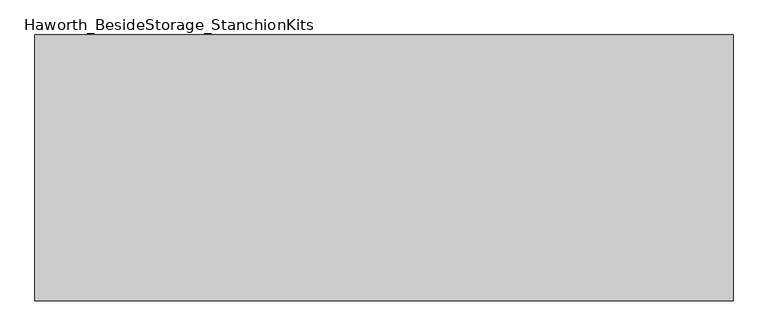
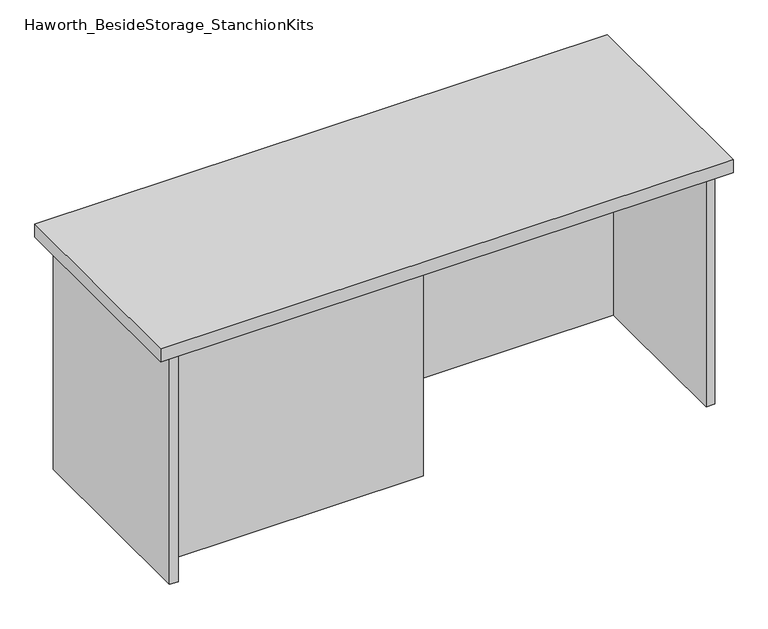
"""IFC4 building model written with IfcOpenShell, lengths in millimetres: furniture geometry, Haworth_BesideStorage_StanchionKits."""

import ifcopenshell
import ifcopenshell.guid

model = None  # the IFC model being written
_history = None  # IfcOwnerHistory: only IFC2X3 demands one
_inside = {}  # id of a spatial element -> (the spatial element, [elements in it])
_under = {}  # id of a project, library or spatial element -> (it, [spatial elements below it])
_declared = {}  # id of a project -> (the project, [libraries it declares])
_typed = {}  # id of a type object -> (the type object, [elements of that type])
_made_of = {}  # id of a material, layer set ... -> (it, [elements and type objects made of it])


def new_model(schema):
    """Start an empty IFC model of exactly this schema.

    Asked for "IFC4X3", IfcOpenShell would pick the latest addendum, in which some entities
    have other attributes; the version numbers below select the first issue.
    IFC2X3 requires an IfcOwnerHistory on every rooted entity: one is made here for all.
    """
    global model, _history
    if schema == "IFC4X3":
        model = ifcopenshell.file(schema_version=(4, 3, 0, 0))
    else:
        model = ifcopenshell.file(schema=schema)
    _inside.clear()
    _under.clear()
    _declared.clear()
    _typed.clear()
    _made_of.clear()
    _history = None
    if model.schema == "IFC2X3":
        org = make("IfcOrganization", Name="unknown")
        user = make(
            "IfcPersonAndOrganization",
            ThePerson=make("IfcPerson", FamilyName="unknown"),
            TheOrganization=org,
        )
        app = make(
            "IfcApplication",
            ApplicationDeveloper=org,
            Version="unknown",
            ApplicationFullName="unknown",
            ApplicationIdentifier="unknown",
        )
        _history = make(
            "IfcOwnerHistory",
            OwningUser=user,
            OwningApplication=app,
            ChangeAction="ADDED",
            CreationDate=0,
        )
    return model


def make(cls, **values):
    """One entity of the class cls with the attributes given. An attribute that is None is left unset."""
    return model.create_entity(
        cls, **{name: value for name, value in values.items() if value is not None}
    )


def rooted(cls, **values):
    """An entity with a GlobalId (a new one), such as an element, a storey or a relation."""
    return make(cls, GlobalId=ifcopenshell.guid.new(), OwnerHistory=_history, **values)


def si_unit(unit_type, name, prefix=None):
    """IfcSIUnit, for example si_unit("LENGTHUNIT", "METRE", prefix="MILLI")."""
    return make("IfcSIUnit", UnitType=unit_type, Prefix=prefix, Name=name)


def assignment(units):
    """IfcUnitAssignment: the units of a project."""
    return None if units is None else make("IfcUnitAssignment", Units=units)


def point(xyz):
    """IfcCartesianPoint."""
    return None if xyz is None else make("IfcCartesianPoint", Coordinates=xyz)


def direction(xyz):
    """IfcDirection."""
    return None if xyz is None else make("IfcDirection", DirectionRatios=xyz)


def frame(location, z_axis=None, x_axis=None):
    """IfcAxis2Placement3D, a coordinate frame: its origin and axes. An axis left out is left unset."""
    return make(
        "IfcAxis2Placement3D",
        Location=point(location),
        Axis=direction(z_axis),
        RefDirection=direction(x_axis),
    )


def origin():
    """The frame at (0, 0, 0) with its axes left unset."""
    return frame((0.0, 0.0, 0.0))


def place(relative_to, where):
    """IfcLocalPlacement: puts the frame where relative to a parent placement (None: the world)."""
    return make(
        "IfcLocalPlacement", PlacementRelTo=relative_to, RelativePlacement=where
    )


def context(
    kind, dimensions, precision=None, world=None, true_north=None, identifier=None
):
    """IfcGeometricRepresentationContext, for example the 3D "Model" context."""
    return make(
        "IfcGeometricRepresentationContext",
        ContextIdentifier=identifier,
        ContextType=kind,
        CoordinateSpaceDimension=dimensions,
        Precision=precision,
        WorldCoordinateSystem=world,
        TrueNorth=true_north,
    )


def project(units=None, contexts=None):
    """IfcProject with its units and contexts."""
    return rooted(
        "IfcProject",
        Name="project",
        RepresentationContexts=contexts,
        UnitsInContext=assignment(units),
    )


def spatial(cls, under=None, at=None, **own):
    """A site, building, storey or space (cls), placed at a placement, below another one or the project."""
    s = rooted(cls, ObjectPlacement=at, **own)
    if under is not None:
        _under.setdefault(under.id(), (under, []))[1].append(s)
    return s


def polyline(points):
    """IfcPolyline through the points."""
    return make("IfcPolyline", Points=[point(p) for p in points])


def outline(outer, holes=None, kind="AREA"):
    """IfcArbitraryClosedProfileDef: a profile drawn as a closed curve; with holes, ...WithVoids."""
    if holes is None:
        return make("IfcArbitraryClosedProfileDef", ProfileType=kind, OuterCurve=outer)
    return make(
        "IfcArbitraryProfileDefWithVoids",
        ProfileType=kind,
        OuterCurve=outer,
        InnerCurves=holes,
    )


def extrude(swept, where, along, depth):
    """IfcExtrudedAreaSolid: the profile swept, set in the frame where, extruded along a direction by depth."""
    return make(
        "IfcExtrudedAreaSolid",
        SweptArea=swept,
        Position=where,
        ExtrudedDirection=direction(along),
        Depth=depth,
    )


def shape(context_of_items, identifier, shape_type, items):
    """IfcShapeRepresentation: the items that make up one representation, for example the "Body"."""
    return make(
        "IfcShapeRepresentation",
        ContextOfItems=context_of_items,
        RepresentationIdentifier=identifier,
        RepresentationType=shape_type,
        Items=items,
    )


def source(mapping_origin, context_of_items, identifier, shape_type, items):
    """IfcRepresentationMap: a shape defined once, which mapped items show again and again."""
    return make(
        "IfcRepresentationMap",
        MappingOrigin=mapping_origin,
        MappedRepresentation=shape(context_of_items, identifier, shape_type, items),
    )


def transform(
    local_origin,
    x_axis=None,
    y_axis=None,
    z_axis=None,
    scale=None,
    scale2=None,
    scale3=None,
    uniform=True,
):
    """IfcCartesianTransformationOperator3D, or its non-uniform kind. x_axis, y_axis, z_axis: its Axis1, 2, 3."""
    if uniform:
        return make(
            "IfcCartesianTransformationOperator3D",
            Axis1=direction(x_axis),
            Axis2=direction(y_axis),
            LocalOrigin=point(local_origin),
            Scale=scale,
            Axis3=direction(z_axis),
        )
    return make(
        "IfcCartesianTransformationOperator3DnonUniform",
        Axis1=direction(x_axis),
        Axis2=direction(y_axis),
        LocalOrigin=point(local_origin),
        Scale=scale,
        Axis3=direction(z_axis),
        Scale2=scale2,
        Scale3=scale3,
    )


def mapped(mapping_source, mapping_target):
    """IfcMappedItem: shows the shape of a source again, moved by a transform."""
    return make(
        "IfcMappedItem", MappingSource=mapping_source, MappingTarget=mapping_target
    )


def made_of(thing, what):
    """Note that an element or type object is made of a material, layer set ...; save() writes the relation."""
    if what is not None:
        _made_of.setdefault(what.id(), (what, []))[1].append(thing)
    return thing


def element(
    cls,
    number,
    at=None,
    inside=None,
    cuts=None,
    type_object=None,
    material=None,
    context=None,
    identifier="Body",
    shape_type=None,
    held_by="IfcProductDefinitionShape",
    body=None,
    shapes=None,
    **own,
):
    """One element of the class cls, such as IfcWall. Its Tag is "e" and its number.

    at: its placement. inside: the storey or other place that contains it. cuts: it is an
    opening in that element (IfcRelVoidsElement). A single representation is given by context,
    identifier, shape_type and body (its items); several are given by shapes. held_by: the class
    of the entity that holds the representations. save() writes the other relations.
    """
    e = rooted(cls, Tag="e%d" % number, ObjectPlacement=at, **own)
    if body is not None:
        shapes = [shape(context, identifier, shape_type, body)]
    if shapes is not None:
        e.Representation = make(held_by, Representations=shapes)
    if inside is not None:
        _inside.setdefault(inside.id(), (inside, []))[1].append(e)
    if cuts is not None:
        rooted(
            "IfcRelVoidsElement", RelatingBuildingElement=cuts, RelatedOpeningElement=e
        )
    if type_object is not None:
        _typed.setdefault(type_object.id(), (type_object, []))[1].append(e)
    return made_of(e, material)


def aggregate(whole, parts):
    """IfcRelAggregates: a whole, such as a stair, and the parts it consists of."""
    return rooted("IfcRelAggregates", RelatingObject=whole, RelatedObjects=parts)


def save(model, path):
    """Write the relations noted so far, then the file.

    IfcRelAggregates (storeys below a building ...), IfcRelContainedInSpatialStructure (elements
    in a storey), IfcRelDefinesByType, IfcRelAssociatesMaterial and IfcRelDeclares: one each for
    every whole, place, type object, material and project.
    """
    for whole, parts in _under.values():
        aggregate(whole, parts)
    for where, things in _inside.values():
        rooted(
            "IfcRelContainedInSpatialStructure",
            RelatedElements=things,
            RelatingStructure=where,
        )
    for kind, things in _typed.values():
        rooted("IfcRelDefinesByType", RelatedObjects=things, RelatingType=kind)
    for what, things in _made_of.values():
        rooted("IfcRelAssociatesMaterial", RelatedObjects=things, RelatingMaterial=what)
    for by, libraries in _declared.values():
        rooted("IfcRelDeclares", RelatingContext=by, RelatedDefinitions=libraries)
    model.write(path)


def haworth_besidestorage_stanchionkits_b2e599c1(model_context):
    return source(origin(), model_context, "Body", "SweptSolid", [
        extrude(outline(polyline([(695.325, 0.0), (695.325, -406.4), (-371.475, -406.4), (-371.475, 0.0), (695.325, 0.0)])), frame((0.0, 0.0, 889.0), z_axis=(0.0, 0.0, 1.0), x_axis=(1.0, 0.0, 0.0)), (0.0, 0.0, 1.0), 25.4),
        extrude(outline(polyline([(161.925, -76.2), (654.05, -76.2), (654.05, -92.075), (161.925, -92.075), (161.925, -76.2)])), frame((0.0, 0.0, 431.8), z_axis=(0.0, 0.0, 1.0), x_axis=(1.0, 0.0, 0.0)), (0.0, 0.0, 1.0), 457.2),
        extrude(outline(polyline([(161.925, -314.325), (161.925, -330.2), (-330.2, -330.2), (-330.2, -314.325), (161.925, -314.325)])), frame((0.0, 0.0, 431.8), z_axis=(0.0, 0.0, 1.0), x_axis=(1.0, 0.0, 0.0)), (0.0, 0.0, 1.0), 457.2),
        extrude(outline(polyline([(669.925, -390.525), (654.05, -390.525), (654.05, -15.875), (669.925, -15.875), (669.925, -390.525)])), frame((0.0, 0.0, 431.8), z_axis=(0.0, 0.0, 1.0), x_axis=(1.0, 0.0, 0.0)), (0.0, 0.0, 1.0), 457.2),
        extrude(outline(polyline([(-330.2, -390.525), (-346.075, -390.525), (-346.075, -15.875), (-330.2, -15.875), (-330.2, -390.525)])), frame((0.0, 0.0, 431.8), z_axis=(0.0, 0.0, 1.0), x_axis=(1.0, 0.0, 0.0)), (0.0, 0.0, 1.0), 457.2),
    ])


if __name__ == "__main__":
    model = new_model("IFC4")
    model_context = context("Model", 3, world=origin())
    ifc_project = project(units=[si_unit("LENGTHUNIT", "METRE", prefix="MILLI")], contexts=[model_context])
    site = spatial("IfcSite", under=ifc_project)
    building = spatial("IfcBuilding", under=site)
    placement = place(None, origin())
    haworth_besidestorage_stanchionkits_shape = haworth_besidestorage_stanchionkits_b2e599c1(model_context)
    element("IfcFurniture", 1, ObjectType="Haworth_BesideStorage_StanchionKits", at=placement, inside=building, context=model_context, shape_type="MappedRepresentation", body=[
        mapped(haworth_besidestorage_stanchionkits_shape, transform((0.0, 0.0, 0.0), x_axis=(1.0, 0.0, 0.0), y_axis=(0.0, 1.0, 0.0), z_axis=(0.0, 0.0, 1.0))),
    ])
    save(model, "model.ifc")
